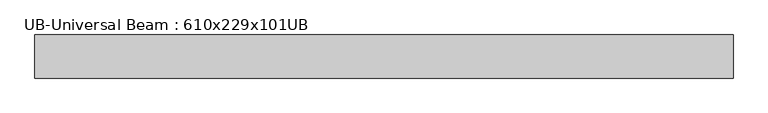
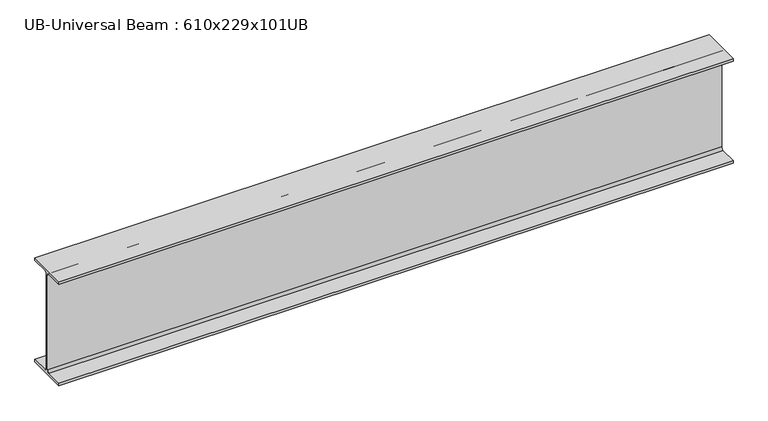
"""IFC4 building model written with IfcOpenShell, lengths in millimetres: beam geometry, UB-Universal Beam : 610x229x101UB."""

import ifcopenshell
import ifcopenshell.guid

model = None  # the IFC model being written
_history = None  # IfcOwnerHistory: only IFC2X3 demands one
_inside = {}  # id of a spatial element -> (the spatial element, [elements in it])
_under = {}  # id of a project, library or spatial element -> (it, [spatial elements below it])
_declared = {}  # id of a project -> (the project, [libraries it declares])
_typed = {}  # id of a type object -> (the type object, [elements of that type])
_made_of = {}  # id of a material, layer set ... -> (it, [elements and type objects made of it])


def new_model(schema):
    """Start an empty IFC model of exactly this schema.

    Asked for "IFC4X3", IfcOpenShell would pick the latest addendum, in which some entities
    have other attributes; the version numbers below select the first issue.
    IFC2X3 requires an IfcOwnerHistory on every rooted entity: one is made here for all.
    """
    global model, _history
    if schema == "IFC4X3":
        model = ifcopenshell.file(schema_version=(4, 3, 0, 0))
    else:
        model = ifcopenshell.file(schema=schema)
    _inside.clear()
    _under.clear()
    _declared.clear()
    _typed.clear()
    _made_of.clear()
    _history = None
    if model.schema == "IFC2X3":
        org = make("IfcOrganization", Name="unknown")
        user = make(
            "IfcPersonAndOrganization",
            ThePerson=make("IfcPerson", FamilyName="unknown"),
            TheOrganization=org,
        )
        app = make(
            "IfcApplication",
            ApplicationDeveloper=org,
            Version="unknown",
            ApplicationFullName="unknown",
            ApplicationIdentifier="unknown",
        )
        _history = make(
            "IfcOwnerHistory",
            OwningUser=user,
            OwningApplication=app,
            ChangeAction="ADDED",
            CreationDate=0,
        )
    return model


def make(cls, **values):
    """One entity of the class cls with the attributes given. An attribute that is None is left unset."""
    return model.create_entity(
        cls, **{name: value for name, value in values.items() if value is not None}
    )


def rooted(cls, **values):
    """An entity with a GlobalId (a new one), such as an element, a storey or a relation."""
    return make(cls, GlobalId=ifcopenshell.guid.new(), OwnerHistory=_history, **values)


def si_unit(unit_type, name, prefix=None):
    """IfcSIUnit, for example si_unit("LENGTHUNIT", "METRE", prefix="MILLI")."""
    return make("IfcSIUnit", UnitType=unit_type, Prefix=prefix, Name=name)


def assignment(units):
    """IfcUnitAssignment: the units of a project."""
    return None if units is None else make("IfcUnitAssignment", Units=units)


def point(xyz):
    """IfcCartesianPoint."""
    return None if xyz is None else make("IfcCartesianPoint", Coordinates=xyz)


def direction(xyz):
    """IfcDirection."""
    return None if xyz is None else make("IfcDirection", DirectionRatios=xyz)


def frame(location, z_axis=None, x_axis=None):
    """IfcAxis2Placement3D, a coordinate frame: its origin and axes. An axis left out is left unset."""
    return make(
        "IfcAxis2Placement3D",
        Location=point(location),
        Axis=direction(z_axis),
        RefDirection=direction(x_axis),
    )


def frame_2d(location, x_axis=None):
    """IfcAxis2Placement2D, a coordinate frame in the plane: its origin and x axis."""
    return make(
        "IfcAxis2Placement2D", Location=point(location), RefDirection=direction(x_axis)
    )


def origin():
    """The frame at (0, 0, 0) with its axes left unset."""
    return frame((0.0, 0.0, 0.0))


def place(relative_to, where):
    """IfcLocalPlacement: puts the frame where relative to a parent placement (None: the world)."""
    return make(
        "IfcLocalPlacement", PlacementRelTo=relative_to, RelativePlacement=where
    )


def context(
    kind, dimensions, precision=None, world=None, true_north=None, identifier=None
):
    """IfcGeometricRepresentationContext, for example the 3D "Model" context."""
    return make(
        "IfcGeometricRepresentationContext",
        ContextIdentifier=identifier,
        ContextType=kind,
        CoordinateSpaceDimension=dimensions,
        Precision=precision,
        WorldCoordinateSystem=world,
        TrueNorth=true_north,
    )


def project(units=None, contexts=None):
    """IfcProject with its units and contexts."""
    return rooted(
        "IfcProject",
        Name="project",
        RepresentationContexts=contexts,
        UnitsInContext=assignment(units),
    )


def spatial(cls, under=None, at=None, **own):
    """A site, building, storey or space (cls), placed at a placement, below another one or the project."""
    s = rooted(cls, ObjectPlacement=at, **own)
    if under is not None:
        _under.setdefault(under.id(), (under, []))[1].append(s)
    return s


def polyline(points):
    """IfcPolyline through the points."""
    return make("IfcPolyline", Points=[point(p) for p in points])


def circle_curve(where, radius):
    """IfcCircle in the frame where."""
    return make("IfcCircle", Position=where, Radius=radius)


def trimmed(basis, trim1, trim2, sense, master):
    """IfcTrimmedCurve: the piece of a basis curve between two trims."""
    return make(
        "IfcTrimmedCurve",
        BasisCurve=basis,
        Trim1=trim1,
        Trim2=trim2,
        SenseAgreement=sense,
        MasterRepresentation=master,
    )


def segment(curve, same_sense, transition):
    """IfcCompositeCurveSegment."""
    return make(
        "IfcCompositeCurveSegment",
        Transition=transition,
        SameSense=same_sense,
        ParentCurve=curve,
    )


def composite_curve(segments, self_intersect=None):
    """IfcCompositeCurve: segments joined end to end."""
    return make("IfcCompositeCurve", Segments=segments, SelfIntersect=self_intersect)


def outline(outer, holes=None, kind="AREA"):
    """IfcArbitraryClosedProfileDef: a profile drawn as a closed curve; with holes, ...WithVoids."""
    if holes is None:
        return make("IfcArbitraryClosedProfileDef", ProfileType=kind, OuterCurve=outer)
    return make(
        "IfcArbitraryProfileDefWithVoids",
        ProfileType=kind,
        OuterCurve=outer,
        InnerCurves=holes,
    )


def extrude(swept, where, along, depth):
    """IfcExtrudedAreaSolid: the profile swept, set in the frame where, extruded along a direction by depth."""
    return make(
        "IfcExtrudedAreaSolid",
        SweptArea=swept,
        Position=where,
        ExtrudedDirection=direction(along),
        Depth=depth,
    )


def shape(context_of_items, identifier, shape_type, items):
    """IfcShapeRepresentation: the items that make up one representation, for example the "Body"."""
    return make(
        "IfcShapeRepresentation",
        ContextOfItems=context_of_items,
        RepresentationIdentifier=identifier,
        RepresentationType=shape_type,
        Items=items,
    )


def source(mapping_origin, context_of_items, identifier, shape_type, items):
    """IfcRepresentationMap: a shape defined once, which mapped items show again and again."""
    return make(
        "IfcRepresentationMap",
        MappingOrigin=mapping_origin,
        MappedRepresentation=shape(context_of_items, identifier, shape_type, items),
    )


def transform(
    local_origin,
    x_axis=None,
    y_axis=None,
    z_axis=None,
    scale=None,
    scale2=None,
    scale3=None,
    uniform=True,
):
    """IfcCartesianTransformationOperator3D, or its non-uniform kind. x_axis, y_axis, z_axis: its Axis1, 2, 3."""
    if uniform:
        return make(
            "IfcCartesianTransformationOperator3D",
            Axis1=direction(x_axis),
            Axis2=direction(y_axis),
            LocalOrigin=point(local_origin),
            Scale=scale,
            Axis3=direction(z_axis),
        )
    return make(
        "IfcCartesianTransformationOperator3DnonUniform",
        Axis1=direction(x_axis),
        Axis2=direction(y_axis),
        LocalOrigin=point(local_origin),
        Scale=scale,
        Axis3=direction(z_axis),
        Scale2=scale2,
        Scale3=scale3,
    )


def mapped(mapping_source, mapping_target):
    """IfcMappedItem: shows the shape of a source again, moved by a transform."""
    return make(
        "IfcMappedItem", MappingSource=mapping_source, MappingTarget=mapping_target
    )


def made_of(thing, what):
    """Note that an element or type object is made of a material, layer set ...; save() writes the relation."""
    if what is not None:
        _made_of.setdefault(what.id(), (what, []))[1].append(thing)
    return thing


def element(
    cls,
    number,
    at=None,
    inside=None,
    cuts=None,
    type_object=None,
    material=None,
    context=None,
    identifier="Body",
    shape_type=None,
    held_by="IfcProductDefinitionShape",
    body=None,
    shapes=None,
    **own,
):
    """One element of the class cls, such as IfcWall. Its Tag is "e" and its number.

    at: its placement. inside: the storey or other place that contains it. cuts: it is an
    opening in that element (IfcRelVoidsElement). A single representation is given by context,
    identifier, shape_type and body (its items); several are given by shapes. held_by: the class
    of the entity that holds the representations. save() writes the other relations.
    """
    e = rooted(cls, Tag="e%d" % number, ObjectPlacement=at, **own)
    if body is not None:
        shapes = [shape(context, identifier, shape_type, body)]
    if shapes is not None:
        e.Representation = make(held_by, Representations=shapes)
    if inside is not None:
        _inside.setdefault(inside.id(), (inside, []))[1].append(e)
    if cuts is not None:
        rooted(
            "IfcRelVoidsElement", RelatingBuildingElement=cuts, RelatedOpeningElement=e
        )
    if type_object is not None:
        _typed.setdefault(type_object.id(), (type_object, []))[1].append(e)
    return made_of(e, material)


def aggregate(whole, parts):
    """IfcRelAggregates: a whole, such as a stair, and the parts it consists of."""
    return rooted("IfcRelAggregates", RelatingObject=whole, RelatedObjects=parts)


def save(model, path):
    """Write the relations noted so far, then the file.

    IfcRelAggregates (storeys below a building ...), IfcRelContainedInSpatialStructure (elements
    in a storey), IfcRelDefinesByType, IfcRelAssociatesMaterial and IfcRelDeclares: one each for
    every whole, place, type object, material and project.
    """
    for whole, parts in _under.values():
        aggregate(whole, parts)
    for where, things in _inside.values():
        rooted(
            "IfcRelContainedInSpatialStructure",
            RelatedElements=things,
            RelatingStructure=where,
        )
    for kind, things in _typed.values():
        rooted("IfcRelDefinesByType", RelatedObjects=things, RelatingType=kind)
    for what, things in _made_of.values():
        rooted("IfcRelAssociatesMaterial", RelatedObjects=things, RelatingMaterial=what)
    for by, libraries in _declared.values():
        rooted("IfcRelDeclares", RelatingContext=by, RelatedDefinitions=libraries)
    model.write(path)


def ub_universal_beam_610x229x101ub_2dfb7396(model_context):
    return source(origin(), model_context, "Body", "SweptSolid", [
        extrude(outline(composite_curve([segment(polyline([(113.8, -286.5), (113.8, -301.3), (-113.8, -301.3), (-113.8, -286.5), (-17.95, -286.5)]), True, "CONTINUOUS"), segment(trimmed(circle_curve(frame_2d((-17.95, -273.8)), 12.7), [point((-17.95, -286.5))], [point((-5.25, -273.8))], True, "CARTESIAN"), True, "CONTINUOUS"), segment(polyline([(-5.25, -273.8), (-5.25, 273.8)]), True, "CONTINUOUS"), segment(trimmed(circle_curve(frame_2d((-17.95, 273.8)), 12.7), [point((-5.25, 273.8))], [point((-17.95, 286.5))], True, "CARTESIAN"), True, "CONTINUOUS"), segment(polyline([(-17.95, 286.5), (-113.8, 286.5), (-113.8, 301.3), (113.8, 301.3), (113.8, 286.5), (17.95, 286.5)]), True, "CONTINUOUS"), segment(trimmed(circle_curve(frame_2d((17.95, 273.8)), 12.7), [point((17.95, 286.5))], [point((5.25, 273.8))], True, "CARTESIAN"), True, "CONTINUOUS"), segment(polyline([(5.25, 273.8), (5.25, -273.8)]), True, "CONTINUOUS"), segment(trimmed(circle_curve(frame_2d((17.95, -273.8)), 12.7), [point((5.25, -273.8))], [point((17.95, -286.5))], True, "CARTESIAN"), True, "CONTINUOUS"), segment(polyline([(17.95, -286.5), (113.8, -286.5)]), True, "CONTINUOUS")], self_intersect=False)), frame((-1777.6464539, 0.0, 0.0), z_axis=(1.0, 0.0, 0.0), x_axis=(0.0, 1.0, 0.0)), (0.0, 0.0, 1.0), 3682.6542294),
    ])


if __name__ == "__main__":
    model = new_model("IFC4")
    model_context = context("Model", 3, world=origin())
    ifc_project = project(units=[si_unit("LENGTHUNIT", "METRE", prefix="MILLI")], contexts=[model_context])
    site = spatial("IfcSite", under=ifc_project)
    building = spatial("IfcBuilding", under=site)
    placement = place(None, origin())
    ub_universal_beam_610x229x101ub_shape = ub_universal_beam_610x229x101ub_2dfb7396(model_context)
    element("IfcBeam", 1, ObjectType="UB-Universal Beam : 610x229x101UB", at=placement, inside=building, context=model_context, shape_type="MappedRepresentation", body=[
        mapped(ub_universal_beam_610x229x101ub_shape, transform((0.0, 0.0, 0.0), x_axis=(1.0, 0.0, 0.0), y_axis=(0.0, 1.0, 0.0), z_axis=(0.0, 0.0, 1.0))),
    ])
    save(model, "model.ifc")
